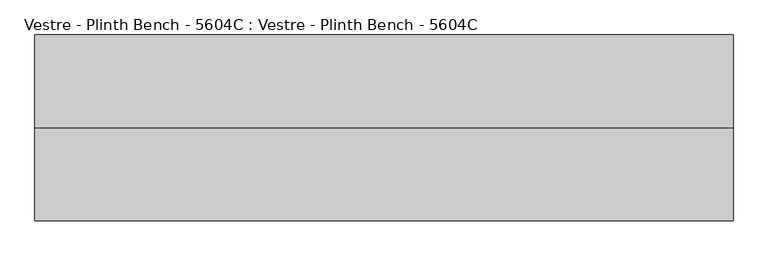
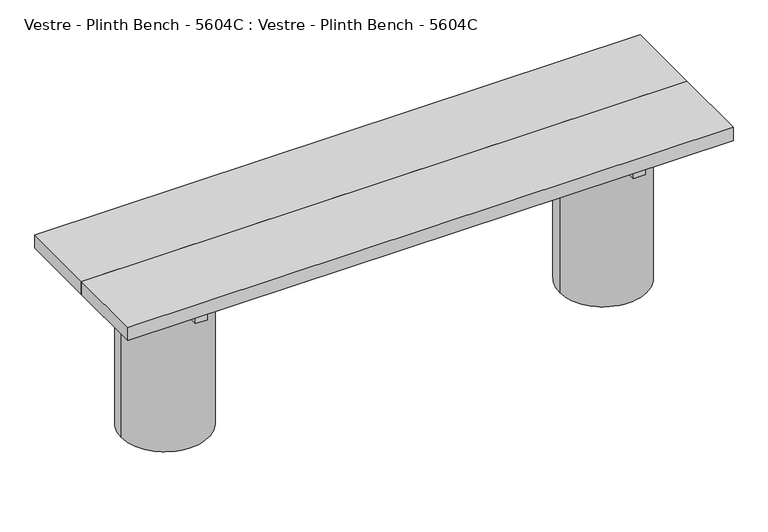
"""IFC4 building model written with IfcOpenShell, lengths in millimetres: furniture geometry, Vestre - Plinth Bench - 5604C : Vestre - Plinth Bench - 5604C."""

import ifcopenshell
import ifcopenshell.guid

model = None  # the IFC model being written
_history = None  # IfcOwnerHistory: only IFC2X3 demands one
_inside = {}  # id of a spatial element -> (the spatial element, [elements in it])
_under = {}  # id of a project, library or spatial element -> (it, [spatial elements below it])
_declared = {}  # id of a project -> (the project, [libraries it declares])
_typed = {}  # id of a type object -> (the type object, [elements of that type])
_made_of = {}  # id of a material, layer set ... -> (it, [elements and type objects made of it])


def new_model(schema):
    """Start an empty IFC model of exactly this schema.

    Asked for "IFC4X3", IfcOpenShell would pick the latest addendum, in which some entities
    have other attributes; the version numbers below select the first issue.
    IFC2X3 requires an IfcOwnerHistory on every rooted entity: one is made here for all.
    """
    global model, _history
    if schema == "IFC4X3":
        model = ifcopenshell.file(schema_version=(4, 3, 0, 0))
    else:
        model = ifcopenshell.file(schema=schema)
    _inside.clear()
    _under.clear()
    _declared.clear()
    _typed.clear()
    _made_of.clear()
    _history = None
    if model.schema == "IFC2X3":
        org = make("IfcOrganization", Name="unknown")
        user = make(
            "IfcPersonAndOrganization",
            ThePerson=make("IfcPerson", FamilyName="unknown"),
            TheOrganization=org,
        )
        app = make(
            "IfcApplication",
            ApplicationDeveloper=org,
            Version="unknown",
            ApplicationFullName="unknown",
            ApplicationIdentifier="unknown",
        )
        _history = make(
            "IfcOwnerHistory",
            OwningUser=user,
            OwningApplication=app,
            ChangeAction="ADDED",
            CreationDate=0,
        )
    return model


def make(cls, **values):
    """One entity of the class cls with the attributes given. An attribute that is None is left unset."""
    return model.create_entity(
        cls, **{name: value for name, value in values.items() if value is not None}
    )


def rooted(cls, **values):
    """An entity with a GlobalId (a new one), such as an element, a storey or a relation."""
    return make(cls, GlobalId=ifcopenshell.guid.new(), OwnerHistory=_history, **values)


def si_unit(unit_type, name, prefix=None):
    """IfcSIUnit, for example si_unit("LENGTHUNIT", "METRE", prefix="MILLI")."""
    return make("IfcSIUnit", UnitType=unit_type, Prefix=prefix, Name=name)


def assignment(units):
    """IfcUnitAssignment: the units of a project."""
    return None if units is None else make("IfcUnitAssignment", Units=units)


def point(xyz):
    """IfcCartesianPoint."""
    return None if xyz is None else make("IfcCartesianPoint", Coordinates=xyz)


def direction(xyz):
    """IfcDirection."""
    return None if xyz is None else make("IfcDirection", DirectionRatios=xyz)


def frame(location, z_axis=None, x_axis=None):
    """IfcAxis2Placement3D, a coordinate frame: its origin and axes. An axis left out is left unset."""
    return make(
        "IfcAxis2Placement3D",
        Location=point(location),
        Axis=direction(z_axis),
        RefDirection=direction(x_axis),
    )


def origin():
    """The frame at (0, 0, 0) with its axes left unset."""
    return frame((0.0, 0.0, 0.0))


def place(relative_to, where):
    """IfcLocalPlacement: puts the frame where relative to a parent placement (None: the world)."""
    return make(
        "IfcLocalPlacement", PlacementRelTo=relative_to, RelativePlacement=where
    )


def context(
    kind, dimensions, precision=None, world=None, true_north=None, identifier=None
):
    """IfcGeometricRepresentationContext, for example the 3D "Model" context."""
    return make(
        "IfcGeometricRepresentationContext",
        ContextIdentifier=identifier,
        ContextType=kind,
        CoordinateSpaceDimension=dimensions,
        Precision=precision,
        WorldCoordinateSystem=world,
        TrueNorth=true_north,
    )


def project(units=None, contexts=None):
    """IfcProject with its units and contexts."""
    return rooted(
        "IfcProject",
        Name="project",
        RepresentationContexts=contexts,
        UnitsInContext=assignment(units),
    )


def spatial(cls, under=None, at=None, **own):
    """A site, building, storey or space (cls), placed at a placement, below another one or the project."""
    s = rooted(cls, ObjectPlacement=at, **own)
    if under is not None:
        _under.setdefault(under.id(), (under, []))[1].append(s)
    return s


def polyline(points):
    """IfcPolyline through the points."""
    return make("IfcPolyline", Points=[point(p) for p in points])


def circle_curve(where, radius):
    """IfcCircle in the frame where."""
    return make("IfcCircle", Position=where, Radius=radius)


def outline(outer, holes=None, kind="AREA"):
    """IfcArbitraryClosedProfileDef: a profile drawn as a closed curve; with holes, ...WithVoids."""
    if holes is None:
        return make("IfcArbitraryClosedProfileDef", ProfileType=kind, OuterCurve=outer)
    return make(
        "IfcArbitraryProfileDefWithVoids",
        ProfileType=kind,
        OuterCurve=outer,
        InnerCurves=holes,
    )


def extrude(swept, where, along, depth):
    """IfcExtrudedAreaSolid: the profile swept, set in the frame where, extruded along a direction by depth."""
    return make(
        "IfcExtrudedAreaSolid",
        SweptArea=swept,
        Position=where,
        ExtrudedDirection=direction(along),
        Depth=depth,
    )


def shape(context_of_items, identifier, shape_type, items):
    """IfcShapeRepresentation: the items that make up one representation, for example the "Body"."""
    return make(
        "IfcShapeRepresentation",
        ContextOfItems=context_of_items,
        RepresentationIdentifier=identifier,
        RepresentationType=shape_type,
        Items=items,
    )


def source(mapping_origin, context_of_items, identifier, shape_type, items):
    """IfcRepresentationMap: a shape defined once, which mapped items show again and again."""
    return make(
        "IfcRepresentationMap",
        MappingOrigin=mapping_origin,
        MappedRepresentation=shape(context_of_items, identifier, shape_type, items),
    )


def transform(
    local_origin,
    x_axis=None,
    y_axis=None,
    z_axis=None,
    scale=None,
    scale2=None,
    scale3=None,
    uniform=True,
):
    """IfcCartesianTransformationOperator3D, or its non-uniform kind. x_axis, y_axis, z_axis: its Axis1, 2, 3."""
    if uniform:
        return make(
            "IfcCartesianTransformationOperator3D",
            Axis1=direction(x_axis),
            Axis2=direction(y_axis),
            LocalOrigin=point(local_origin),
            Scale=scale,
            Axis3=direction(z_axis),
        )
    return make(
        "IfcCartesianTransformationOperator3DnonUniform",
        Axis1=direction(x_axis),
        Axis2=direction(y_axis),
        LocalOrigin=point(local_origin),
        Scale=scale,
        Axis3=direction(z_axis),
        Scale2=scale2,
        Scale3=scale3,
    )


def mapped(mapping_source, mapping_target):
    """IfcMappedItem: shows the shape of a source again, moved by a transform."""
    return make(
        "IfcMappedItem", MappingSource=mapping_source, MappingTarget=mapping_target
    )


def made_of(thing, what):
    """Note that an element or type object is made of a material, layer set ...; save() writes the relation."""
    if what is not None:
        _made_of.setdefault(what.id(), (what, []))[1].append(thing)
    return thing


def element(
    cls,
    number,
    at=None,
    inside=None,
    cuts=None,
    type_object=None,
    material=None,
    context=None,
    identifier="Body",
    shape_type=None,
    held_by="IfcProductDefinitionShape",
    body=None,
    shapes=None,
    **own,
):
    """One element of the class cls, such as IfcWall. Its Tag is "e" and its number.

    at: its placement. inside: the storey or other place that contains it. cuts: it is an
    opening in that element (IfcRelVoidsElement). A single representation is given by context,
    identifier, shape_type and body (its items); several are given by shapes. held_by: the class
    of the entity that holds the representations. save() writes the other relations.
    """
    e = rooted(cls, Tag="e%d" % number, ObjectPlacement=at, **own)
    if body is not None:
        shapes = [shape(context, identifier, shape_type, body)]
    if shapes is not None:
        e.Representation = make(held_by, Representations=shapes)
    if inside is not None:
        _inside.setdefault(inside.id(), (inside, []))[1].append(e)
    if cuts is not None:
        rooted(
            "IfcRelVoidsElement", RelatingBuildingElement=cuts, RelatedOpeningElement=e
        )
    if type_object is not None:
        _typed.setdefault(type_object.id(), (type_object, []))[1].append(e)
    return made_of(e, material)


def aggregate(whole, parts):
    """IfcRelAggregates: a whole, such as a stair, and the parts it consists of."""
    return rooted("IfcRelAggregates", RelatingObject=whole, RelatedObjects=parts)


def save(model, path):
    """Write the relations noted so far, then the file.

    IfcRelAggregates (storeys below a building ...), IfcRelContainedInSpatialStructure (elements
    in a storey), IfcRelDefinesByType, IfcRelAssociatesMaterial and IfcRelDeclares: one each for
    every whole, place, type object, material and project.
    """
    for whole, parts in _under.values():
        aggregate(whole, parts)
    for where, things in _inside.values():
        rooted(
            "IfcRelContainedInSpatialStructure",
            RelatedElements=things,
            RelatingStructure=where,
        )
    for kind, things in _typed.values():
        rooted("IfcRelDefinesByType", RelatedObjects=things, RelatingType=kind)
    for what, things in _made_of.values():
        rooted("IfcRelAssociatesMaterial", RelatedObjects=things, RelatingMaterial=what)
    for by, libraries in _declared.values():
        rooted("IfcRelDeclares", RelatingContext=by, RelatedDefinitions=libraries)
    model.write(path)


def plane_surface(at):
    """IfcPlane: the flat surface through the origin of the frame at, square to its z axis."""
    return make("IfcPlane", Position=at)


def cylinder_surface(at, radius):
    """IfcCylindricalSurface: all points at the distance radius from the z axis of the frame at."""
    return make("IfcCylindricalSurface", Position=at, Radius=radius)


def advanced_brep(points, edges, surfaces, faces):
    """IfcAdvancedBrep: a solid bounded by faces that lie on surfaces and meet in shared edges.

    An edge is (start, end): straight between two places in points (the first is 0);
    or (start, end, curve); or (start, end, curve, False) where it runs against its curve.
    A face is (place in surfaces, loops), or (place, loops, False) where it looks against
    its surface's normal. A loop lists edges by number (the first is 1), with a minus sign
    where the edge is run from its end to its start. The first loop is the outer one.
    """
    corners = [point(p) for p in points]
    vertices = [make("IfcVertexPoint", VertexGeometry=c) for c in corners]
    made = []
    for start, end, *more in edges:
        made.append(
            make(
                "IfcEdgeCurve",
                EdgeStart=vertices[start],
                EdgeEnd=vertices[end],
                EdgeGeometry=more[0] if more else make("IfcPolyline", Points=[corners[start], corners[end]]),
                SameSense=more[1] if len(more) > 1 else True,
            )
        )
    hull = []
    for where, loops, *sense in faces:
        bounds = []
        for j, loop in enumerate(loops):
            ring = [make("IfcOrientedEdge", EdgeElement=made[abs(k) - 1], Orientation=k > 0) for k in loop]
            bounds.append(
                make(
                    "IfcFaceOuterBound" if j == 0 else "IfcFaceBound",
                    Bound=make("IfcEdgeLoop", EdgeList=ring),
                    Orientation=True,
                )
            )
        hull.append(make("IfcAdvancedFace", Bounds=bounds, FaceSurface=surfaces[where], SameSense=sense[0] if sense else True))
    return make("IfcAdvancedBrep", Outer=make("IfcClosedShell", CfsFaces=hull))


def vestre_plinth_bench_5604c_vestre_plinth_bench_5604c_a73a6fe7(model_context):
    return source(origin(), model_context, "Body", "SolidModel", [
        extrude(outline(polyline([(760.0005464, -17.5001515), (760.0005464, -219.9999989), (-760.0005464, -219.9999989), (-760.0005464, -17.5001515), (760.0005464, -17.5001515)])), frame((0.0, 0.0, 414.9999847), z_axis=(0.0, 0.0, 1.0), x_axis=(1.0, 0.0, 0.0)), (0.0, 0.0, 1.0), 35.0000153),
        extrude(outline(polyline([(565.4994536, -378.0001515), (535.4811401, -378.0001515), (535.4811401, -62.0001515), (565.4994536, -62.0001515), (565.4994536, -378.0001515)])), frame((0.0, 0.0, 364.9999847), z_axis=(0.0, 0.0, 1.0), x_axis=(1.0, 0.0, 0.0)), (0.0, 0.0, 1.0), 50.0),
        advanced_brep(
        [(538.5005464, -237.5001515, 274.9999847), (538.5005464, -237.5001515, 364.9999847), (538.5005464, -202.4998463, 364.9999847), (538.5005464, -202.4998463, 274.9999847), (442.3211565, -202.4998463, 274.9999847), (440.9147793, -219.9999989, 274.9999847), (442.3211565, -237.5001515, 274.9999847), (442.3211565, -202.4998463, 364.9999847), (442.3211565, -237.5001515, 364.9999847), (660.0830351, -219.9999989, 364.9999847), (660.0830351, -219.9999989, 0.0), (440.9147793, -219.9999989, 0.0)],
        [
            (0, 1),
            (1, 2),
            (2, 3),
            (3, 0),
            (3, 4),
            (4, 5, circle_curve(frame((550.4989072, -219.9999989, 274.9999847), z_axis=(0.0, 0.0, 1.0), x_axis=(-1.0, 0.0, 0.0)), 109.5841279)),
            (5, 6, circle_curve(frame((550.4989072, -219.9999989, 274.9999847), z_axis=(0.0, 0.0, 1.0), x_axis=(-1.0, 0.0, 0.0)), 109.5841279)),
            (6, 0),
            (2, 7),
            (7, 4),
            (6, 8),
            (8, 1),
            (9, 7, circle_curve(frame((550.4989072, -219.9999989, 364.9999847), z_axis=(0.0, 0.0, 1.0), x_axis=(-1.0, 0.0, 0.0)), 109.5841279)),
            (8, 9, circle_curve(frame((550.4989072, -219.9999989, 364.9999847), z_axis=(0.0, 0.0, 1.0), x_axis=(-1.0, 0.0, 0.0)), 109.5841279)),
            (10, 11, circle_curve(frame((550.4989072, -219.9999989, 0.0), z_axis=(0.0, 0.0, -1.0), x_axis=(-1.0, 0.0, 0.0)), 109.5841279)),
            (11, 10, circle_curve(frame((550.4989072, -219.9999989, 0.0), z_axis=(0.0, 0.0, -1.0), x_axis=(-1.0, 0.0, 0.0)), 109.5841279)),
            (10, 9),
            (5, 11),
        ],
        [
            plane_surface(frame((538.5005464, -237.5001515, 274.9999847), z_axis=(-1.0, 0.0, 0.0), x_axis=(0.0, 0.0, -1.0))),
            plane_surface(frame((420.0, -202.4998463, 274.9999847), z_axis=(0.0, 0.0, 1.0), x_axis=(1.0, 0.0, 0.0))),
            plane_surface(frame((420.0, -202.4998463, 364.9999847), z_axis=(0.0, -1.0, 0.0), x_axis=(1.0, 0.0, 0.0))),
            plane_surface(frame((420.0, -237.5001515, 274.9999847), z_axis=(0.0, 1.0, 0.0), x_axis=(1.0, 0.0, 0.0))),
            plane_surface(frame((440.9147793, -219.9999989, 364.9999847), z_axis=(0.0, 0.0, 1.0), x_axis=(0.0, -1.0, 0.0))),
            plane_surface(frame((440.9147793, -219.9999989, 0.0), z_axis=(0.0, 0.0, -1.0), x_axis=(0.0, 1.0, 0.0))),
            cylinder_surface(frame((550.4989072, -219.9999989, 0.0), z_axis=(0.0, 0.0, 1.0), x_axis=(-1.0, 0.0, 0.0)), 109.5841279),
        ],
        [
            (0, [[1, 2, 3, 4]]),
            (1, [[-4, 5, 6, 7, 8]]),
            (2, [[-3, 9, 10, -5]]),
            (3, [[-1, -8, 11, 12]]),
            (4, [[13, -9, -2, -12, 14]]),
            (5, [[15, 16]]),
            (6, [[-15, 17, -14, -11, -7, 18]]),
            (6, [[-16, -18, -6, -10, -13, -17]]),
        ],
    ),
        advanced_brep(
        [(-660.0830351, -219.9999989, 364.9999847), (-442.3211565, -237.5001515, 364.9999847), (-538.5005464, -237.5001515, 364.9999847), (-538.5005464, -202.4998463, 364.9999847), (-442.3211565, -202.4998463, 364.9999847), (-660.0830351, -219.9999989, 0.0), (-440.9147793, -219.9999989, 0.0), (-440.9147793, -219.9999989, 274.9999847), (-442.3211565, -237.5001515, 274.9999847), (-442.3211565, -202.4998463, 274.9999847), (-538.5005464, -237.5001515, 274.9999847), (-538.5005464, -202.4998463, 274.9999847)],
        [
            (0, 1, circle_curve(frame((-550.4989072, -219.9999989, 364.9999847), z_axis=(0.0, 0.0, 1.0), x_axis=(1.0, 0.0, 0.0)), 109.5841279)),
            (1, 2),
            (2, 3),
            (3, 4),
            (4, 0, circle_curve(frame((-550.4989072, -219.9999989, 364.9999847), z_axis=(0.0, 0.0, 1.0), x_axis=(1.0, 0.0, 0.0)), 109.5841279)),
            (5, 6, circle_curve(frame((-550.4989072, -219.9999989, 0.0), z_axis=(0.0, 0.0, -1.0), x_axis=(1.0, 0.0, 0.0)), 109.5841279)),
            (6, 5, circle_curve(frame((-550.4989072, -219.9999989, 0.0), z_axis=(0.0, 0.0, -1.0), x_axis=(1.0, 0.0, 0.0)), 109.5841279)),
            (6, 7),
            (7, 8, circle_curve(frame((-550.4989072, -219.9999989, 274.9999847), z_axis=(0.0, 0.0, -1.0), x_axis=(1.0, 0.0, 0.0)), 109.5841279)),
            (8, 1),
            (0, 5),
            (4, 9),
            (9, 7, circle_curve(frame((-550.4989072, -219.9999989, 274.9999847), z_axis=(0.0, 0.0, -1.0), x_axis=(1.0, 0.0, 0.0)), 109.5841279)),
            (10, 11),
            (11, 3),
            (2, 10),
            (10, 8),
            (9, 11),
        ],
        [
            plane_surface(frame((-440.9147793, -219.9999989, 364.9999847), z_axis=(0.0, 0.0, 1.0), x_axis=(0.0, 1.0, 0.0))),
            plane_surface(frame((-440.9147793, -219.9999989, 0.0), z_axis=(0.0, 0.0, -1.0), x_axis=(0.0, -1.0, 0.0))),
            cylinder_surface(frame((-550.4989072, -219.9999989, 0.0), z_axis=(0.0, 0.0, 1.0), x_axis=(1.0, 0.0, 0.0)), 109.5841279),
            plane_surface(frame((-538.5005464, -202.4998463, 274.9999847), z_axis=(1.0, 0.0, 0.0), x_axis=(0.0, -1.0, 0.0))),
            plane_surface(frame((-420.0, -237.5001515, 274.9999847), z_axis=(0.0, 0.0, 1.0), x_axis=(-1.0, 0.0, 0.0))),
            plane_surface(frame((-420.0, -202.4998463, 274.9999847), z_axis=(0.0, -1.0, 0.0), x_axis=(-1.0, 0.0, 0.0))),
            plane_surface(frame((-420.0, -237.5001515, 364.9999847), z_axis=(0.0, 1.0, 0.0), x_axis=(-1.0, 0.0, 0.0))),
        ],
        [
            (0, [[1, 2, 3, 4, 5]]),
            (1, [[6, 7]]),
            (2, [[-7, 8, 9, 10, -1, 11]]),
            (2, [[-6, -11, -5, 12, 13, -8]]),
            (3, [[14, 15, -3, 16]]),
            (4, [[-14, 17, -9, -13, 18]]),
            (5, [[-15, -18, -12, -4]]),
            (6, [[-16, -2, -10, -17]]),
        ],
    ),
        extrude(outline(polyline([(-535.4811401, -378.0001515), (-565.4994536, -378.0001515), (-565.4994536, -62.0001515), (-535.4811401, -62.0001515), (-535.4811401, -378.0001515)])), frame((0.0, 0.0, 364.9999847), z_axis=(0.0, 0.0, 1.0), x_axis=(1.0, 0.0, 0.0)), (0.0, 0.0, 1.0), 50.0),
        extrude(outline(polyline([(538.5005464, -202.4998463), (538.5005464, -237.5001515), (-538.5005464, -237.5001515), (-538.5005464, -202.4998463), (538.5005464, -202.4998463)])), frame((0.0, 0.0, 274.9999847), z_axis=(0.0, 0.0, 1.0), x_axis=(1.0, 0.0, 0.0)), (0.0, 0.0, 1.0), 90.0),
        extrude(outline(polyline([(760.0005464, -219.9999989), (760.0005464, -422.4998463), (-760.0005464, -422.4998463), (-760.0005464, -219.9999989), (760.0005464, -219.9999989)])), frame((0.0, 0.0, 414.9999847), z_axis=(0.0, 0.0, 1.0), x_axis=(1.0, 0.0, 0.0)), (0.0, 0.0, 1.0), 35.0000153),
    ])


if __name__ == "__main__":
    model = new_model("IFC4")
    model_context = context("Model", 3, world=origin())
    ifc_project = project(units=[si_unit("LENGTHUNIT", "METRE", prefix="MILLI")], contexts=[model_context])
    site = spatial("IfcSite", under=ifc_project)
    building = spatial("IfcBuilding", under=site)
    placement = place(None, origin())
    vestre_plinth_bench_5604c_vestre_plinth_bench_5604c_shape = vestre_plinth_bench_5604c_vestre_plinth_bench_5604c_a73a6fe7(model_context)
    element("IfcFurniture", 1, ObjectType="Vestre - Plinth Bench - 5604C : Vestre - Plinth Bench - 5604C", at=placement, inside=building, context=model_context, shape_type="MappedRepresentation", body=[
        mapped(vestre_plinth_bench_5604c_vestre_plinth_bench_5604c_shape, transform((0.0, 0.0, 0.0), x_axis=(1.0, 0.0, 0.0), y_axis=(0.0, 1.0, 0.0), z_axis=(0.0, 0.0, 1.0))),
    ])
    save(model, "model.ifc")
